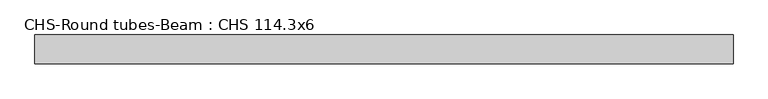
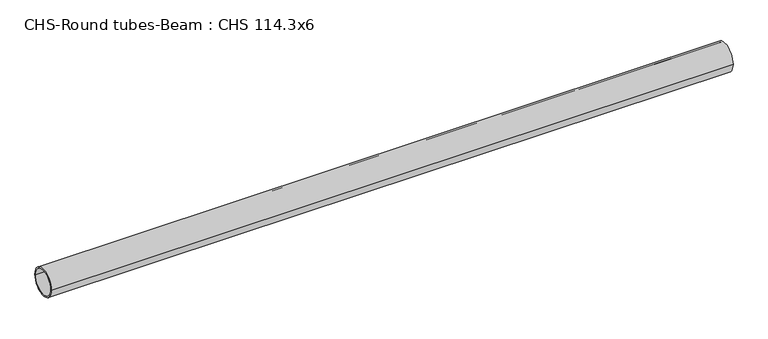
"""IFC4 building model written with IfcOpenShell, lengths in millimetres: beam geometry, CHS-Round tubes-Beam : CHS 114.3x6."""

from ifc_helpers import new_model, si_unit, point, frame, origin, origin_2d, place, context, project, spatial, circle_curve, trimmed, segment, composite_curve, outline, extrude, source, transform, mapped, element, save


def chs_round_tubes_beam_chs_114_3x6_90f0b144(model_context):
    return source(origin(), model_context, "Body", "SweptSolid", [
        extrude(outline(composite_curve([segment(trimmed(circle_curve(origin_2d(), 57.15), [point((57.15, 0.0))], [point((-57.15, 0.0))], False, "CARTESIAN"), True, "CONTINUOUS"), segment(trimmed(circle_curve(origin_2d(), 57.15), [point((-57.15, 0.0))], [point((57.15, 0.0))], False, "CARTESIAN"), True, "CONTINUOUS")], self_intersect=False), holes=[composite_curve([segment(trimmed(circle_curve(origin_2d(), 51.15), [point((51.15, 0.0))], [point((-51.15, 0.0))], True, "CARTESIAN"), True, "CONTINUOUS"), segment(trimmed(circle_curve(origin_2d(), 51.15), [point((-51.15, 0.0))], [point((51.15, 0.0))], True, "CARTESIAN"), True, "CONTINUOUS")], self_intersect=False)]), frame((-1387.6362769, 0.0, 0.0), z_axis=(1.0, 0.0, 0.0), x_axis=(0.0, 1.0, 0.0)), (0.0, 0.0, 1.0), 2761.0079404),
    ])


if __name__ == "__main__":
    model = new_model("IFC4")
    model_context = context("Model", 3, world=origin())
    ifc_project = project(units=[si_unit("LENGTHUNIT", "METRE", prefix="MILLI")], contexts=[model_context])
    site = spatial("IfcSite", under=ifc_project)
    building = spatial("IfcBuilding", under=site)
    placement = place(None, origin())
    chs_round_tubes_beam_chs_114_3x6_shape = chs_round_tubes_beam_chs_114_3x6_90f0b144(model_context)
    element("IfcBeam", 1, ObjectType="CHS-Round tubes-Beam : CHS 114.3x6", at=placement, inside=building, context=model_context, shape_type="MappedRepresentation", body=[
        mapped(chs_round_tubes_beam_chs_114_3x6_shape, transform((0.0, 0.0, 0.0), x_axis=(1.0, 0.0, 0.0), y_axis=(0.0, 1.0, 0.0), z_axis=(0.0, 0.0, 1.0))),
    ])
    save(model, "model.ifc")
